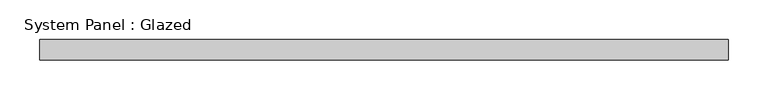
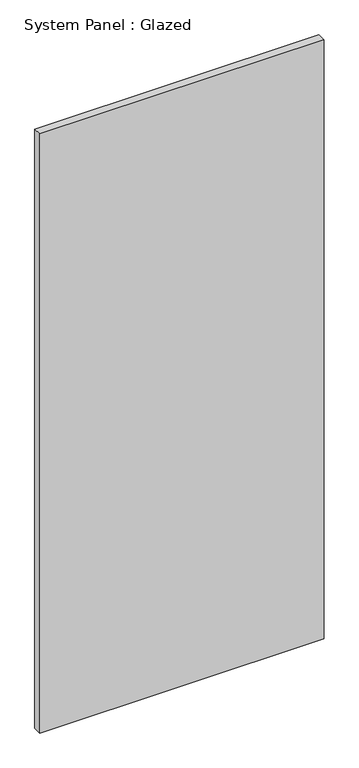
"""IFC4 building model written with IfcOpenShell, lengths in millimetres: plate geometry, System Panel : Glazed."""

from ifc_helpers import new_model, si_unit, origin, origin_with_axes, place, context, project, spatial, polyline, outline, extrude, source, transform, mapped, element, save


def system_panel_glazed_699a32fe(model_context):
    return source(origin(), model_context, "Body", "SweptSolid", [
        extrude(outline(polyline([(432.1709573, 19.05), (-432.1709573, 19.05), (-432.1709573, 44.45), (432.1709573, 44.45), (432.1709573, 19.05)])), origin_with_axes(), (0.0, 0.0, 1.0), 1924.05),
    ])


if __name__ == "__main__":
    model = new_model("IFC4")
    model_context = context("Model", 3, world=origin())
    ifc_project = project(units=[si_unit("LENGTHUNIT", "METRE", prefix="MILLI")], contexts=[model_context])
    site = spatial("IfcSite", under=ifc_project)
    building = spatial("IfcBuilding", under=site)
    placement = place(None, origin())
    system_panel_glazed_shape = system_panel_glazed_699a32fe(model_context)
    element("IfcPlate", 1, ObjectType="System Panel : Glazed", at=placement, inside=building, context=model_context, shape_type="MappedRepresentation", body=[
        mapped(system_panel_glazed_shape, transform((0.0, 0.0, 0.0), x_axis=(1.0, 0.0, 0.0), y_axis=(0.0, 1.0, 0.0), z_axis=(0.0, 0.0, 1.0))),
    ])
    save(model, "model.ifc")
